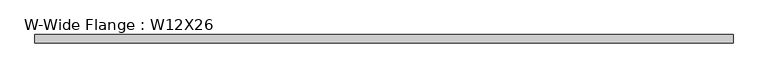
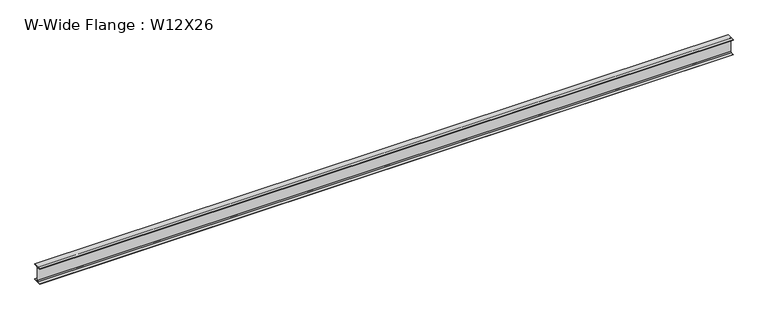
"""IFC4 building model written with IfcOpenShell, lengths in millimetres: beam geometry, W-Wide Flange : W12X26."""

import ifcopenshell
import ifcopenshell.guid

model = None  # the IFC model being written
_history = None  # IfcOwnerHistory: only IFC2X3 demands one
_inside = {}  # id of a spatial element -> (the spatial element, [elements in it])
_under = {}  # id of a project, library or spatial element -> (it, [spatial elements below it])
_declared = {}  # id of a project -> (the project, [libraries it declares])
_typed = {}  # id of a type object -> (the type object, [elements of that type])
_made_of = {}  # id of a material, layer set ... -> (it, [elements and type objects made of it])


def new_model(schema):
    """Start an empty IFC model of exactly this schema.

    Asked for "IFC4X3", IfcOpenShell would pick the latest addendum, in which some entities
    have other attributes; the version numbers below select the first issue.
    IFC2X3 requires an IfcOwnerHistory on every rooted entity: one is made here for all.
    """
    global model, _history
    if schema == "IFC4X3":
        model = ifcopenshell.file(schema_version=(4, 3, 0, 0))
    else:
        model = ifcopenshell.file(schema=schema)
    _inside.clear()
    _under.clear()
    _declared.clear()
    _typed.clear()
    _made_of.clear()
    _history = None
    if model.schema == "IFC2X3":
        org = make("IfcOrganization", Name="unknown")
        user = make(
            "IfcPersonAndOrganization",
            ThePerson=make("IfcPerson", FamilyName="unknown"),
            TheOrganization=org,
        )
        app = make(
            "IfcApplication",
            ApplicationDeveloper=org,
            Version="unknown",
            ApplicationFullName="unknown",
            ApplicationIdentifier="unknown",
        )
        _history = make(
            "IfcOwnerHistory",
            OwningUser=user,
            OwningApplication=app,
            ChangeAction="ADDED",
            CreationDate=0,
        )
    return model


def make(cls, **values):
    """One entity of the class cls with the attributes given. An attribute that is None is left unset."""
    return model.create_entity(
        cls, **{name: value for name, value in values.items() if value is not None}
    )


def rooted(cls, **values):
    """An entity with a GlobalId (a new one), such as an element, a storey or a relation."""
    return make(cls, GlobalId=ifcopenshell.guid.new(), OwnerHistory=_history, **values)


def si_unit(unit_type, name, prefix=None):
    """IfcSIUnit, for example si_unit("LENGTHUNIT", "METRE", prefix="MILLI")."""
    return make("IfcSIUnit", UnitType=unit_type, Prefix=prefix, Name=name)


def assignment(units):
    """IfcUnitAssignment: the units of a project."""
    return None if units is None else make("IfcUnitAssignment", Units=units)


def point(xyz):
    """IfcCartesianPoint."""
    return None if xyz is None else make("IfcCartesianPoint", Coordinates=xyz)


def direction(xyz):
    """IfcDirection."""
    return None if xyz is None else make("IfcDirection", DirectionRatios=xyz)


def frame(location, z_axis=None, x_axis=None):
    """IfcAxis2Placement3D, a coordinate frame: its origin and axes. An axis left out is left unset."""
    return make(
        "IfcAxis2Placement3D",
        Location=point(location),
        Axis=direction(z_axis),
        RefDirection=direction(x_axis),
    )


def frame_2d(location, x_axis=None):
    """IfcAxis2Placement2D, a coordinate frame in the plane: its origin and x axis."""
    return make(
        "IfcAxis2Placement2D", Location=point(location), RefDirection=direction(x_axis)
    )


def origin():
    """The frame at (0, 0, 0) with its axes left unset."""
    return frame((0.0, 0.0, 0.0))


def place(relative_to, where):
    """IfcLocalPlacement: puts the frame where relative to a parent placement (None: the world)."""
    return make(
        "IfcLocalPlacement", PlacementRelTo=relative_to, RelativePlacement=where
    )


def context(
    kind, dimensions, precision=None, world=None, true_north=None, identifier=None
):
    """IfcGeometricRepresentationContext, for example the 3D "Model" context."""
    return make(
        "IfcGeometricRepresentationContext",
        ContextIdentifier=identifier,
        ContextType=kind,
        CoordinateSpaceDimension=dimensions,
        Precision=precision,
        WorldCoordinateSystem=world,
        TrueNorth=true_north,
    )


def project(units=None, contexts=None):
    """IfcProject with its units and contexts."""
    return rooted(
        "IfcProject",
        Name="project",
        RepresentationContexts=contexts,
        UnitsInContext=assignment(units),
    )


def spatial(cls, under=None, at=None, **own):
    """A site, building, storey or space (cls), placed at a placement, below another one or the project."""
    s = rooted(cls, ObjectPlacement=at, **own)
    if under is not None:
        _under.setdefault(under.id(), (under, []))[1].append(s)
    return s


def polyline(points):
    """IfcPolyline through the points."""
    return make("IfcPolyline", Points=[point(p) for p in points])


def circle_curve(where, radius):
    """IfcCircle in the frame where."""
    return make("IfcCircle", Position=where, Radius=radius)


def trimmed(basis, trim1, trim2, sense, master):
    """IfcTrimmedCurve: the piece of a basis curve between two trims."""
    return make(
        "IfcTrimmedCurve",
        BasisCurve=basis,
        Trim1=trim1,
        Trim2=trim2,
        SenseAgreement=sense,
        MasterRepresentation=master,
    )


def segment(curve, same_sense, transition):
    """IfcCompositeCurveSegment."""
    return make(
        "IfcCompositeCurveSegment",
        Transition=transition,
        SameSense=same_sense,
        ParentCurve=curve,
    )


def composite_curve(segments, self_intersect=None):
    """IfcCompositeCurve: segments joined end to end."""
    return make("IfcCompositeCurve", Segments=segments, SelfIntersect=self_intersect)


def outline(outer, holes=None, kind="AREA"):
    """IfcArbitraryClosedProfileDef: a profile drawn as a closed curve; with holes, ...WithVoids."""
    if holes is None:
        return make("IfcArbitraryClosedProfileDef", ProfileType=kind, OuterCurve=outer)
    return make(
        "IfcArbitraryProfileDefWithVoids",
        ProfileType=kind,
        OuterCurve=outer,
        InnerCurves=holes,
    )


def extrude(swept, where, along, depth):
    """IfcExtrudedAreaSolid: the profile swept, set in the frame where, extruded along a direction by depth."""
    return make(
        "IfcExtrudedAreaSolid",
        SweptArea=swept,
        Position=where,
        ExtrudedDirection=direction(along),
        Depth=depth,
    )


def shape(context_of_items, identifier, shape_type, items):
    """IfcShapeRepresentation: the items that make up one representation, for example the "Body"."""
    return make(
        "IfcShapeRepresentation",
        ContextOfItems=context_of_items,
        RepresentationIdentifier=identifier,
        RepresentationType=shape_type,
        Items=items,
    )


def source(mapping_origin, context_of_items, identifier, shape_type, items):
    """IfcRepresentationMap: a shape defined once, which mapped items show again and again."""
    return make(
        "IfcRepresentationMap",
        MappingOrigin=mapping_origin,
        MappedRepresentation=shape(context_of_items, identifier, shape_type, items),
    )


def transform(
    local_origin,
    x_axis=None,
    y_axis=None,
    z_axis=None,
    scale=None,
    scale2=None,
    scale3=None,
    uniform=True,
):
    """IfcCartesianTransformationOperator3D, or its non-uniform kind. x_axis, y_axis, z_axis: its Axis1, 2, 3."""
    if uniform:
        return make(
            "IfcCartesianTransformationOperator3D",
            Axis1=direction(x_axis),
            Axis2=direction(y_axis),
            LocalOrigin=point(local_origin),
            Scale=scale,
            Axis3=direction(z_axis),
        )
    return make(
        "IfcCartesianTransformationOperator3DnonUniform",
        Axis1=direction(x_axis),
        Axis2=direction(y_axis),
        LocalOrigin=point(local_origin),
        Scale=scale,
        Axis3=direction(z_axis),
        Scale2=scale2,
        Scale3=scale3,
    )


def mapped(mapping_source, mapping_target):
    """IfcMappedItem: shows the shape of a source again, moved by a transform."""
    return make(
        "IfcMappedItem", MappingSource=mapping_source, MappingTarget=mapping_target
    )


def made_of(thing, what):
    """Note that an element or type object is made of a material, layer set ...; save() writes the relation."""
    if what is not None:
        _made_of.setdefault(what.id(), (what, []))[1].append(thing)
    return thing


def element(
    cls,
    number,
    at=None,
    inside=None,
    cuts=None,
    type_object=None,
    material=None,
    context=None,
    identifier="Body",
    shape_type=None,
    held_by="IfcProductDefinitionShape",
    body=None,
    shapes=None,
    **own,
):
    """One element of the class cls, such as IfcWall. Its Tag is "e" and its number.

    at: its placement. inside: the storey or other place that contains it. cuts: it is an
    opening in that element (IfcRelVoidsElement). A single representation is given by context,
    identifier, shape_type and body (its items); several are given by shapes. held_by: the class
    of the entity that holds the representations. save() writes the other relations.
    """
    e = rooted(cls, Tag="e%d" % number, ObjectPlacement=at, **own)
    if body is not None:
        shapes = [shape(context, identifier, shape_type, body)]
    if shapes is not None:
        e.Representation = make(held_by, Representations=shapes)
    if inside is not None:
        _inside.setdefault(inside.id(), (inside, []))[1].append(e)
    if cuts is not None:
        rooted(
            "IfcRelVoidsElement", RelatingBuildingElement=cuts, RelatedOpeningElement=e
        )
    if type_object is not None:
        _typed.setdefault(type_object.id(), (type_object, []))[1].append(e)
    return made_of(e, material)


def aggregate(whole, parts):
    """IfcRelAggregates: a whole, such as a stair, and the parts it consists of."""
    return rooted("IfcRelAggregates", RelatingObject=whole, RelatedObjects=parts)


def save(model, path):
    """Write the relations noted so far, then the file.

    IfcRelAggregates (storeys below a building ...), IfcRelContainedInSpatialStructure (elements
    in a storey), IfcRelDefinesByType, IfcRelAssociatesMaterial and IfcRelDeclares: one each for
    every whole, place, type object, material and project.
    """
    for whole, parts in _under.values():
        aggregate(whole, parts)
    for where, things in _inside.values():
        rooted(
            "IfcRelContainedInSpatialStructure",
            RelatedElements=things,
            RelatingStructure=where,
        )
    for kind, things in _typed.values():
        rooted("IfcRelDefinesByType", RelatedObjects=things, RelatingType=kind)
    for what, things in _made_of.values():
        rooted("IfcRelAssociatesMaterial", RelatedObjects=things, RelatingMaterial=what)
    for by, libraries in _declared.values():
        rooted("IfcRelDeclares", RelatingContext=by, RelatedDefinitions=libraries)
    model.write(path)


def w_wide_flange_w12x26_c5576dc5(model_context):
    return source(origin(), model_context, "Body", "SweptSolid", [
        extrude(outline(composite_curve([segment(polyline([(82.4011719, -145.5539063), (82.4011719, -155.178125), (-82.4011719, -155.178125), (-82.4011719, -145.5539063), (-20.2902344, -145.5539063)]), True, "CONTINUOUS"), segment(trimmed(circle_curve(frame_2d((-20.2902344, -128.190625)), 17.3632812), [point((-20.2902344, -145.5539063))], [point((-2.9269531, -128.190625))], True, "CARTESIAN"), True, "CONTINUOUS"), segment(polyline([(-2.9269531, -128.190625), (-2.9269531, 128.190625)]), True, "CONTINUOUS"), segment(trimmed(circle_curve(frame_2d((-20.2902344, 128.190625)), 17.3632812), [point((-2.9269531, 128.190625))], [point((-20.2902344, 145.5539062))], True, "CARTESIAN"), True, "CONTINUOUS"), segment(polyline([(-20.2902344, 145.5539062), (-82.4011719, 145.5539062), (-82.4011719, 155.178125), (82.4011719, 155.178125), (82.4011719, 145.5539062), (20.2902344, 145.5539062)]), True, "CONTINUOUS"), segment(trimmed(circle_curve(frame_2d((20.2902344, 128.190625)), 17.3632812), [point((20.2902344, 145.5539062))], [point((2.9269531, 128.190625))], True, "CARTESIAN"), True, "CONTINUOUS"), segment(polyline([(2.9269531, 128.190625), (2.9269531, -128.190625)]), True, "CONTINUOUS"), segment(trimmed(circle_curve(frame_2d((20.2902344, -128.190625)), 17.3632812), [point((2.9269531, -128.190625))], [point((20.2902344, -145.5539063))], True, "CARTESIAN"), True, "CONTINUOUS"), segment(polyline([(20.2902344, -145.5539063), (82.4011719, -145.5539063)]), True, "CONTINUOUS")], self_intersect=False)), frame((-6700.790153, 0.0, 0.0), z_axis=(1.0, 0.0, 0.0), x_axis=(0.0, 1.0, 0.0)), (0.0, 0.0, 1.0), 13401.5803059),
    ])


if __name__ == "__main__":
    model = new_model("IFC4")
    model_context = context("Model", 3, world=origin())
    ifc_project = project(units=[si_unit("LENGTHUNIT", "METRE", prefix="MILLI")], contexts=[model_context])
    site = spatial("IfcSite", under=ifc_project)
    building = spatial("IfcBuilding", under=site)
    placement = place(None, origin())
    w_wide_flange_w12x26_shape = w_wide_flange_w12x26_c5576dc5(model_context)
    element("IfcBeam", 1, ObjectType="W-Wide Flange : W12X26", at=placement, inside=building, context=model_context, shape_type="MappedRepresentation", body=[
        mapped(w_wide_flange_w12x26_shape, transform((0.0, 0.0, 0.0), x_axis=(1.0, 0.0, 0.0), y_axis=(0.0, 1.0, 0.0), z_axis=(0.0, 0.0, 1.0))),
    ])
    save(model, "model.ifc")
